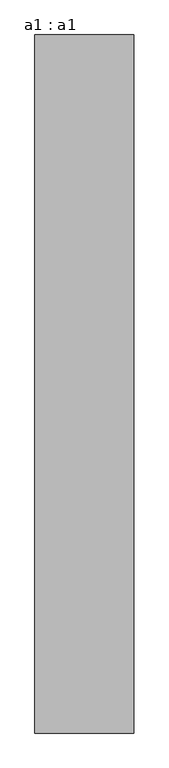
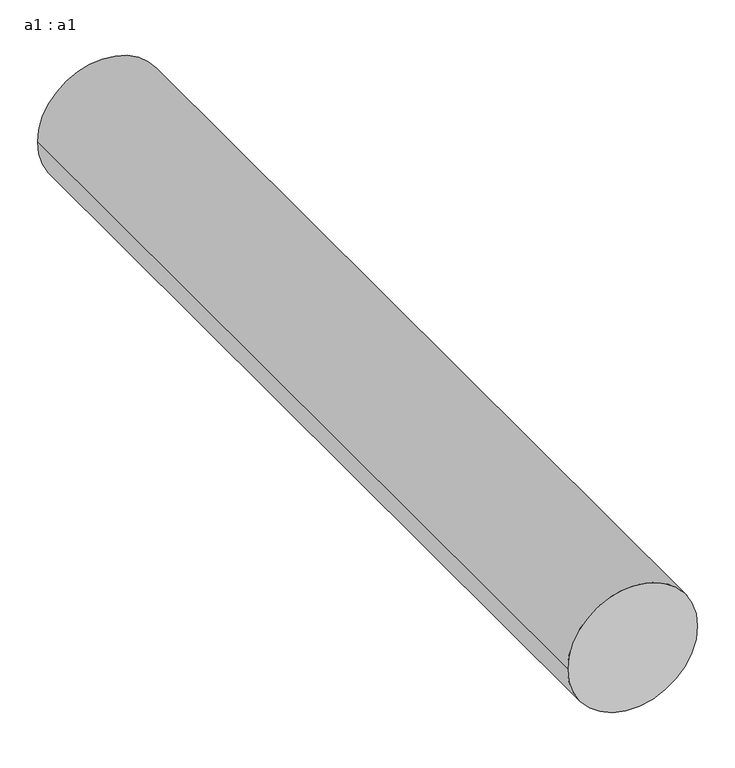
"""IFC4 building model written with IfcOpenShell, lengths in millimetres: proxy geometry, a1 : a1."""

from ifc_helpers import new_model, si_unit, point, frame, origin, origin_2d, place, context, project, spatial, circle_curve, trimmed, segment, composite_curve, outline, extrude, source, transform, mapped, element, save


def a1_a1_26680b3c(model_context):
    return source(origin(), model_context, "Body", "SweptSolid", [
        extrude(outline(composite_curve([segment(trimmed(circle_curve(origin_2d(), 100.0), [point((0.0, 100.0))], [point((0.0, -100.0))], False, "CARTESIAN"), True, "CONTINUOUS"), segment(trimmed(circle_curve(origin_2d(), 100.0), [point((0.0, -100.0))], [point((0.0, 100.0))], False, "CARTESIAN"), True, "CONTINUOUS")], self_intersect=False)), frame((0.0, -1249.3876351, 0.0), z_axis=(0.0, 1.0, 0.0), x_axis=(0.0, 0.0, 1.0)), (0.0, 0.0, 1.0), 1414.2135624),
    ])


if __name__ == "__main__":
    model = new_model("IFC4")
    model_context = context("Model", 3, world=origin())
    ifc_project = project(units=[si_unit("LENGTHUNIT", "METRE", prefix="MILLI")], contexts=[model_context])
    site = spatial("IfcSite", under=ifc_project)
    building = spatial("IfcBuilding", under=site)
    placement = place(None, origin())
    a1_a1_shape = a1_a1_26680b3c(model_context)
    element("IfcBuildingElementProxy", 1, Name="a1 : a1", ObjectType="a1 : a1", at=placement, inside=building, context=model_context, shape_type="MappedRepresentation", body=[
        mapped(a1_a1_shape, transform((0.0, 0.0, 0.0), x_axis=(1.0, 0.0, 0.0), y_axis=(0.0, 1.0, 0.0), z_axis=(0.0, 0.0, 1.0))),
    ])
    save(model, "model.ifc")
